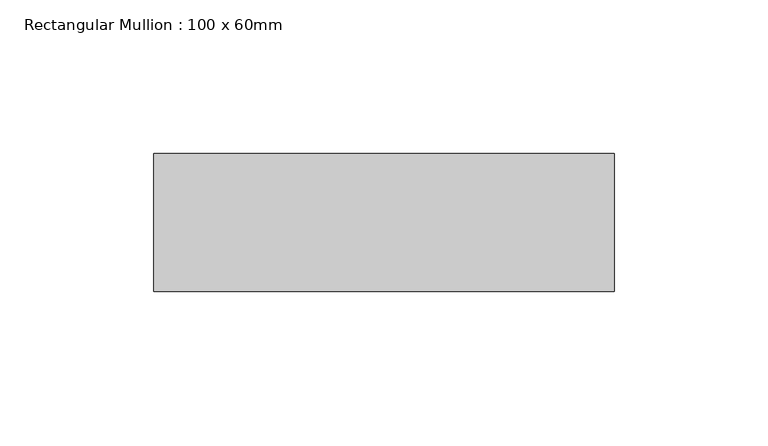
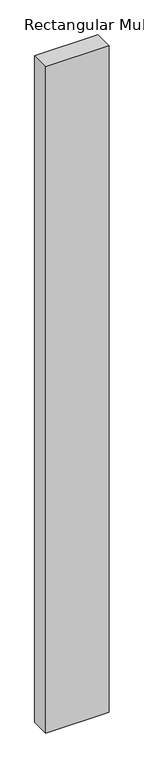
"""IFC4 building model written with IfcOpenShell, lengths in millimetres: member geometry, Rectangular Mullion : 100 x 60mm."""

from ifc_helpers import new_model, si_unit, frame, origin, place, context, project, spatial, polyline, outline, extrude, source, transform, mapped, element, save


def rectangular_mullion_100_x_60mm_f0569f8a(model_context):
    return source(origin(), model_context, "Body", "SweptSolid", [
        extrude(outline(polyline([(-150.0, 30.0), (0.0, 30.0), (0.0, -15.0), (-150.0, -15.0), (-150.0, 30.0)])), frame((0.0, 0.0, -1665.887763), z_axis=(0.0, 0.0, 1.0), x_axis=(1.0, 0.0, 0.0)), (0.0, 0.0, 1.0), 1665.887763),
    ])


if __name__ == "__main__":
    model = new_model("IFC4")
    model_context = context("Model", 3, world=origin())
    ifc_project = project(units=[si_unit("LENGTHUNIT", "METRE", prefix="MILLI")], contexts=[model_context])
    site = spatial("IfcSite", under=ifc_project)
    building = spatial("IfcBuilding", under=site)
    placement = place(None, origin())
    rectangular_mullion_100_x_60mm_shape = rectangular_mullion_100_x_60mm_f0569f8a(model_context)
    element("IfcMember", 1, ObjectType="Rectangular Mullion : 100 x 60mm", at=placement, inside=building, context=model_context, shape_type="MappedRepresentation", body=[
        mapped(rectangular_mullion_100_x_60mm_shape, transform((0.0, 0.0, 0.0), x_axis=(1.0, 0.0, 0.0), y_axis=(0.0, 1.0, 0.0), z_axis=(0.0, 0.0, 1.0))),
    ])
    save(model, "model.ifc")
